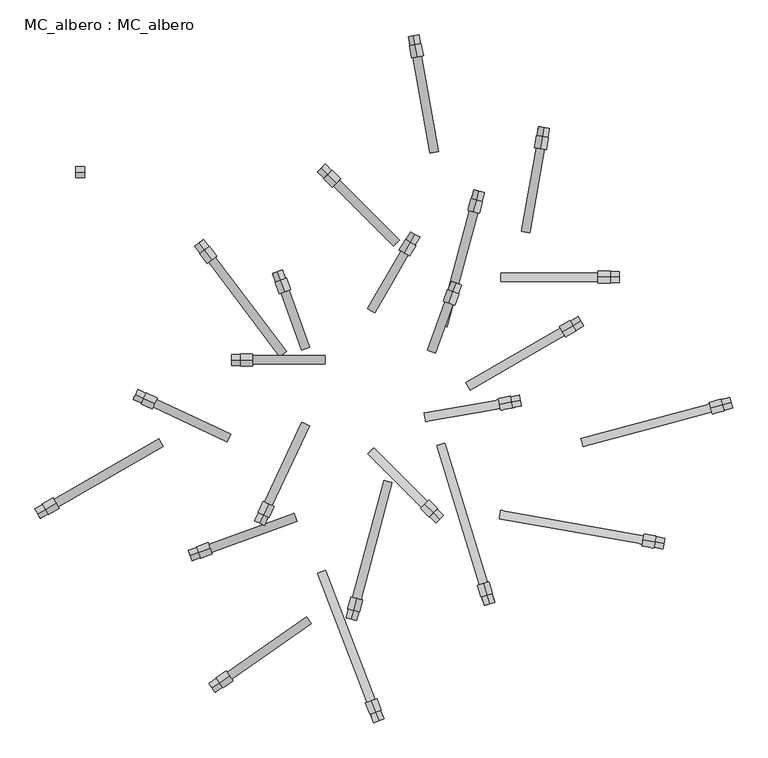
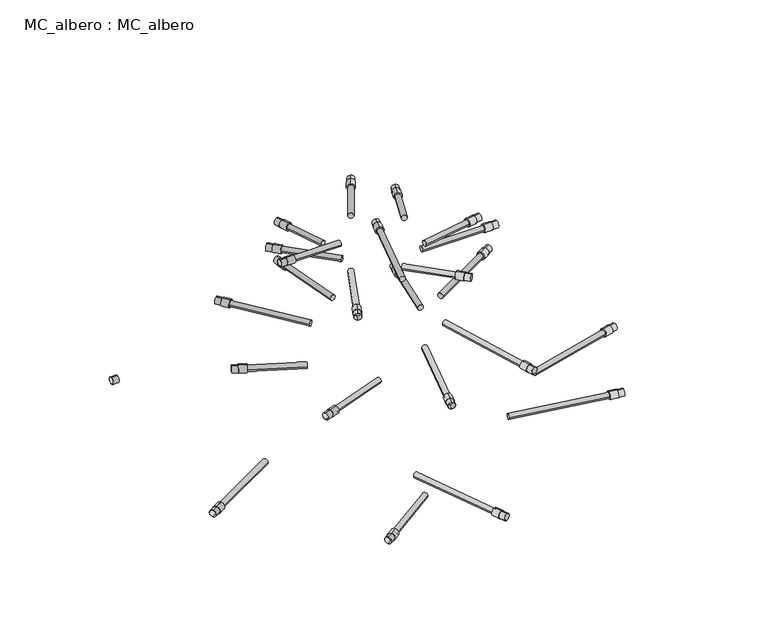
"""IFC4 building model written with IfcOpenShell, lengths in millimetres: proxy geometry, MC_albero : MC_albero."""

from ifc_helpers import new_model, si_unit, point, frame, frame_2d, origin, place, context, project, spatial, circle_curve, trimmed, segment, composite_curve, outline, extrude, source, transform, mapped, element, save


def mc_albero_mc_albero_268b0f34(model_context):
    return source(origin(), model_context, "Body", "SweptSolid", [
        extrude(outline(composite_curve([segment(trimmed(circle_curve(frame_2d((0.0, -9.0)), 9.0), [point((0.0, -18.0))], [point((0.0, 0.0))], False, "CARTESIAN"), True, "CONTINUOUS"), segment(trimmed(circle_curve(frame_2d((0.0, -9.0)), 9.0), [point((0.0, 0.0))], [point((0.0, -18.0))], False, "CARTESIAN"), True, "CONTINUOUS")], self_intersect=False), holes=[composite_curve([segment(trimmed(circle_curve(frame_2d((0.0, -9.0)), 8.5), [point((0.0, -17.5))], [point((0.0, -0.5))], True, "CARTESIAN"), True, "CONTINUOUS"), segment(trimmed(circle_curve(frame_2d((0.0, -9.0)), 8.5), [point((0.0, -0.5))], [point((0.0, -17.5))], True, "CARTESIAN"), True, "CONTINUOUS")], self_intersect=False)]), frame((113.0256139, -219.4223374, 1020.4441846), z_axis=(-0.7071067811865458, 0.7071067811865492, 0.0), x_axis=(0.7071067811865492, 0.7071067811865458, 0.0)), (0.0, 0.0, 1.0), 15.0),
        extrude(outline(composite_curve([segment(trimmed(circle_curve(frame_2d((0.0, -10.0)), 10.0), [point((0.0, -20.0))], [point((0.0, 0.0))], False, "CARTESIAN"), True, "CONTINUOUS"), segment(trimmed(circle_curve(frame_2d((0.0, -10.0)), 10.0), [point((0.0, 0.0))], [point((0.0, -20.0))], False, "CARTESIAN"), True, "CONTINUOUS")], self_intersect=False)), frame((102.4190122, -208.8157356, 1019.4441846), z_axis=(-0.7071067811865458, 0.7071067811865492, 0.0), x_axis=(0.7071067811865492, 0.7071067811865458, 0.0)), (0.0, 0.0, 1.0), 20.0),
        extrude(outline(composite_curve([segment(trimmed(circle_curve(frame_2d((0.0, -7.0)), 7.0), [point((0.0, -14.0))], [point((0.0, 0.0))], False, "CARTESIAN"), True, "CONTINUOUS"), segment(trimmed(circle_curve(frame_2d((0.0, -7.0)), 7.0), [point((0.0, 0.0))], [point((0.0, -14.0))], False, "CARTESIAN"), True, "CONTINUOUS")], self_intersect=False)), frame((93.226624, -189.7238525, 1029.4441846), z_axis=(-0.7071067811865458, 0.7071067811865492, 0.0), x_axis=(0.0, 0.0, 1.0)), (0.0, 0.0, 1.0), 125.0),
        extrude(outline(composite_curve([segment(trimmed(circle_curve(frame_2d((43.7147476, 1029.4441846)), 9.0), [point((43.7147476, 1038.4441846))], [point((43.7147476, 1020.4441846))], False, "CARTESIAN"), True, "CONTINUOUS"), segment(trimmed(circle_curve(frame_2d((43.7147476, 1029.4441846)), 9.0), [point((43.7147476, 1020.4441846))], [point((43.7147476, 1038.4441846))], False, "CARTESIAN"), True, "CONTINUOUS")], self_intersect=False), holes=[composite_curve([segment(trimmed(circle_curve(frame_2d((43.7147476, 1029.4441846)), 8.5), [point((43.7147476, 1037.9441846))], [point((43.7147476, 1020.9441846))], True, "CARTESIAN"), True, "CONTINUOUS"), segment(trimmed(circle_curve(frame_2d((43.7147476, 1029.4441846)), 8.5), [point((43.7147476, 1020.9441846))], [point((43.7147476, 1037.9441846))], True, "CARTESIAN"), True, "CONTINUOUS")], self_intersect=False)]), frame((-230.8886939, 0.0, 0.0), z_axis=(1.0, 0.0, 0.0), x_axis=(0.0, 1.0, 0.0)), (0.0, 0.0, 1.0), 15.0),
        extrude(outline(composite_curve([segment(trimmed(circle_curve(frame_2d((43.7147476, 1029.4441846)), 10.0), [point((43.7147476, 1039.4441846))], [point((43.7147476, 1019.4441846))], False, "CARTESIAN"), True, "CONTINUOUS"), segment(trimmed(circle_curve(frame_2d((43.7147476, 1029.4441846)), 10.0), [point((43.7147476, 1019.4441846))], [point((43.7147476, 1039.4441846))], False, "CARTESIAN"), True, "CONTINUOUS")], self_intersect=False)), frame((-215.8886939, 0.0, 0.0), z_axis=(1.0, 0.0, 0.0), x_axis=(0.0, 1.0, 0.0)), (0.0, 0.0, 1.0), 20.0),
        extrude(outline(composite_curve([segment(trimmed(circle_curve(frame_2d((43.7147476, 1029.4441846)), 7.0), [point((50.7147476, 1029.4441846))], [point((36.7147476, 1029.4441846))], False, "CARTESIAN"), True, "CONTINUOUS"), segment(trimmed(circle_curve(frame_2d((43.7147476, 1029.4441846)), 7.0), [point((36.7147476, 1029.4441846))], [point((50.7147476, 1029.4441846))], False, "CARTESIAN"), True, "CONTINUOUS")], self_intersect=False)), frame((-195.8886939, 0.0, 0.0), z_axis=(1.0, 0.0, 0.0), x_axis=(0.0, 1.0, 0.0)), (0.0, 0.0, 1.0), 120.0),
        extrude(outline(composite_curve([segment(trimmed(circle_curve(frame_2d((0.0, -9.0)), 9.0), [point((0.0, -18.0))], [point((0.0, 0.0))], False, "CARTESIAN"), True, "CONTINUOUS"), segment(trimmed(circle_curve(frame_2d((0.0, -9.0)), 9.0), [point((0.0, 0.0))], [point((0.0, -18.0))], False, "CARTESIAN"), True, "CONTINUOUS")], self_intersect=False), holes=[composite_curve([segment(trimmed(circle_curve(frame_2d((0.0, -9.0)), 8.5), [point((0.0, -17.5))], [point((0.0, -0.5))], True, "CARTESIAN"), True, "CONTINUOUS"), segment(trimmed(circle_curve(frame_2d((0.0, -9.0)), 8.5), [point((0.0, -0.5))], [point((0.0, -17.5))], True, "CARTESIAN"), True, "CONTINUOUS")], self_intersect=False)]), frame((135.3935654, 156.1324728, 1020.4441846), z_axis=(0.34202014332566955, 0.9396926207859081, 0.0), x_axis=(0.9396926207859081, -0.34202014332566955, 0.0)), (0.0, 0.0, 1.0), 15.0),
        extrude(outline(composite_curve([segment(trimmed(circle_curve(frame_2d((0.0, -10.0)), 10.0), [point((0.0, -20.0))], [point((0.0, 0.0))], False, "CARTESIAN"), True, "CONTINUOUS"), segment(trimmed(circle_curve(frame_2d((0.0, -10.0)), 10.0), [point((0.0, 0.0))], [point((0.0, -20.0))], False, "CARTESIAN"), True, "CONTINUOUS")], self_intersect=False)), frame((128.5531625, 137.3386204, 1019.4441846), z_axis=(0.34202014332566955, 0.9396926207859081, 0.0), x_axis=(0.9396926207859081, -0.34202014332566955, 0.0)), (0.0, 0.0, 1.0), 20.0),
        extrude(outline(composite_curve([segment(trimmed(circle_curve(frame_2d((0.0, -7.0)), 7.0), [point((0.0, -14.0))], [point((0.0, 0.0))], False, "CARTESIAN"), True, "CONTINUOUS"), segment(trimmed(circle_curve(frame_2d((0.0, -7.0)), 7.0), [point((0.0, 0.0))], [point((0.0, -14.0))], False, "CARTESIAN"), True, "CONTINUOUS")], self_intersect=False)), frame((92.903602, 59.8588886, 1029.4441846), z_axis=(0.34202014332566955, 0.9396926207859081, 0.0), x_axis=(0.0, 0.0, -1.0)), (0.0, 0.0, 1.0), 85.0),
        extrude(outline(composite_curve([segment(trimmed(circle_curve(frame_2d((0.0, -9.0)), 9.0), [point((0.0, -18.0))], [point((0.0, 0.0))], False, "CARTESIAN"), True, "CONTINUOUS"), segment(trimmed(circle_curve(frame_2d((0.0, -9.0)), 9.0), [point((0.0, 0.0))], [point((0.0, -18.0))], False, "CARTESIAN"), True, "CONTINUOUS")], self_intersect=False), holes=[composite_curve([segment(trimmed(circle_curve(frame_2d((0.0, -9.0)), 8.5), [point((0.0, -17.5))], [point((0.0, -0.5))], True, "CARTESIAN"), True, "CONTINUOUS"), segment(trimmed(circle_curve(frame_2d((0.0, -9.0)), 8.5), [point((0.0, -0.5))], [point((0.0, -17.5))], True, "CARTESIAN"), True, "CONTINUOUS")], self_intersect=False)]), frame((-149.4070638, 175.2278621, 1020.4441846), z_axis=(-0.342020143325667, 0.939692620785909, 0.0), x_axis=(0.939692620785909, 0.342020143325667, 0.0)), (0.0, 0.0, 1.0), 15.0),
        extrude(outline(composite_curve([segment(trimmed(circle_curve(frame_2d((0.0, -10.0)), 10.0), [point((0.0, -20.0))], [point((0.0, 0.0))], False, "CARTESIAN"), True, "CONTINUOUS"), segment(trimmed(circle_curve(frame_2d((0.0, -10.0)), 10.0), [point((0.0, 0.0))], [point((0.0, -20.0))], False, "CARTESIAN"), True, "CONTINUOUS")], self_intersect=False)), frame((-142.5666609, 156.4340097, 1019.4441846), z_axis=(-0.342020143325667, 0.939692620785909, 0.0), x_axis=(0.939692620785909, 0.342020143325667, 0.0)), (0.0, 0.0, 1.0), 20.0),
        extrude(outline(composite_curve([segment(trimmed(circle_curve(frame_2d((0.0, -7.0)), 7.0), [point((0.0, -14.0))], [point((0.0, 0.0))], False, "CARTESIAN"), True, "CONTINUOUS"), segment(trimmed(circle_curve(frame_2d((0.0, -7.0)), 7.0), [point((0.0, 0.0))], [point((0.0, -14.0))], False, "CARTESIAN"), True, "CONTINUOUS")], self_intersect=False)), frame((-114.9424949, 60.0706066, 1029.4441846), z_axis=(-0.342020143325667, 0.939692620785909, 0.0), x_axis=(0.0, 0.0, -1.0)), (0.0, 0.0, 1.0), 100.0),
        extrude(outline(composite_curve([segment(trimmed(circle_curve(frame_2d((0.0, -9.0)), 9.0), [point((0.0, -18.0))], [point((0.0, 0.0))], False, "CARTESIAN"), True, "CONTINUOUS"), segment(trimmed(circle_curve(frame_2d((0.0, -9.0)), 9.0), [point((0.0, 0.0))], [point((0.0, -18.0))], False, "CARTESIAN"), True, "CONTINUOUS")], self_intersect=False), holes=[composite_curve([segment(trimmed(circle_curve(frame_2d((0.0, -9.0)), 8.5), [point((0.0, -17.5))], [point((0.0, -0.5))], True, "CARTESIAN"), True, "CONTINUOUS"), segment(trimmed(circle_curve(frame_2d((0.0, -9.0)), 8.5), [point((0.0, -0.5))], [point((0.0, -17.5))], True, "CARTESIAN"), True, "CONTINUOUS")], self_intersect=False)]), frame((231.453257, -26.1062666, 1020.4441846), z_axis=(0.9848077530122081, 0.17364817766693016, 0.0), x_axis=(0.17364817766693016, -0.9848077530122081, 0.0)), (0.0, 0.0, 1.0), 15.0),
        extrude(outline(composite_curve([segment(trimmed(circle_curve(frame_2d((0.0, -10.0)), 10.0), [point((0.0, -20.0))], [point((0.0, 0.0))], False, "CARTESIAN"), True, "CONTINUOUS"), segment(trimmed(circle_curve(frame_2d((0.0, -10.0)), 10.0), [point((0.0, 0.0))], [point((0.0, -20.0))], False, "CARTESIAN"), True, "CONTINUOUS")], self_intersect=False)), frame((211.7571019, -29.5792302, 1019.4441846), z_axis=(0.9848077530122081, 0.17364817766693016, 0.0), x_axis=(0.17364817766693016, -0.9848077530122081, 0.0)), (0.0, 0.0, 1.0), 20.0),
        extrude(outline(composite_curve([segment(trimmed(circle_curve(frame_2d((0.0, -7.0)), 7.0), [point((0.0, -14.0))], [point((0.0, 0.0))], False, "CARTESIAN"), True, "CONTINUOUS"), segment(trimmed(circle_curve(frame_2d((0.0, -7.0)), 7.0), [point((0.0, 0.0))], [point((0.0, -14.0))], False, "CARTESIAN"), True, "CONTINUOUS")], self_intersect=False)), frame((87.4405955, -44.3915981, 1029.4441846), z_axis=(0.9848077530122081, 0.17364817766693016, 0.0), x_axis=(0.0, 0.0, -1.0)), (0.0, 0.0, 1.0), 125.0),
        extrude(outline(composite_curve([segment(trimmed(circle_curve(frame_2d((0.0, -9.0)), 9.0), [point((0.0, -18.0))], [point((0.0, 0.0))], False, "CARTESIAN"), True, "CONTINUOUS"), segment(trimmed(circle_curve(frame_2d((0.0, -9.0)), 9.0), [point((0.0, 0.0))], [point((0.0, -18.0))], False, "CARTESIAN"), True, "CONTINUOUS")], self_intersect=False), holes=[composite_curve([segment(trimmed(circle_curve(frame_2d((0.0, -9.0)), 8.5), [point((0.0, -17.5))], [point((0.0, -0.5))], True, "CARTESIAN"), True, "CONTINUOUS"), segment(trimmed(circle_curve(frame_2d((0.0, -9.0)), 8.5), [point((0.0, -0.5))], [point((0.0, -17.5))], True, "CARTESIAN"), True, "CONTINUOUS")], self_intersect=False)]), frame((-184.4359337, -225.670654, 1020.4441846), z_axis=(0.42261826174070066, 0.9063077870366494, 0.0), x_axis=(0.9063077870366494, -0.42261826174070066, 0.0)), (0.0, 0.0, 1.0), 15.0),
        extrude(outline(composite_curve([segment(trimmed(circle_curve(frame_2d((0.0, -10.0)), 10.0), [point((0.0, -20.0))], [point((0.0, 0.0))], False, "CARTESIAN"), True, "CONTINUOUS"), segment(trimmed(circle_curve(frame_2d((0.0, -10.0)), 10.0), [point((0.0, 0.0))], [point((0.0, -20.0))], False, "CARTESIAN"), True, "CONTINUOUS")], self_intersect=False)), frame((-178.0966598, -212.0760372, 1019.4441846), z_axis=(0.42261826174070066, 0.9063077870366494, 0.0), x_axis=(0.9063077870366494, -0.42261826174070066, 0.0)), (0.0, 0.0, 1.0), 20.0),
        extrude(outline(composite_curve([segment(trimmed(circle_curve(frame_2d((0.0, -7.0)), 7.0), [point((0.0, -14.0))], [point((0.0, 0.0))], False, "CARTESIAN"), True, "CONTINUOUS"), segment(trimmed(circle_curve(frame_2d((0.0, -7.0)), 7.0), [point((0.0, 0.0))], [point((0.0, -14.0))], False, "CARTESIAN"), True, "CONTINUOUS")], self_intersect=False)), frame((-163.30014, -196.9082093, 1029.4441846), z_axis=(0.42261826174070066, 0.9063077870366494, 0.0), x_axis=(0.0, 0.0, 1.0)), (0.0, 0.0, 1.0), 145.0),
        extrude(outline(composite_curve([segment(trimmed(circle_curve(frame_2d((0.0, -9.0)), 9.0), [point((0.0, -18.0))], [point((0.0, 0.0))], False, "CARTESIAN"), True, "CONTINUOUS"), segment(trimmed(circle_curve(frame_2d((0.0, -9.0)), 9.0), [point((0.0, 0.0))], [point((0.0, -18.0))], False, "CARTESIAN"), True, "CONTINUOUS")], self_intersect=False), holes=[composite_curve([segment(trimmed(circle_curve(frame_2d((0.0, -9.0)), 8.5), [point((0.0, -17.5))], [point((0.0, -0.5))], True, "CARTESIAN"), True, "CONTINUOUS"), segment(trimmed(circle_curve(frame_2d((0.0, -9.0)), 8.5), [point((0.0, -0.5))], [point((0.0, -17.5))], True, "CARTESIAN"), True, "CONTINUOUS")], self_intersect=False)]), frame((64.8885289, 237.5480501, 1020.4441846), z_axis=(0.50000000000001, 0.8660254037844329, 0.0), x_axis=(0.8660254037844329, -0.50000000000001, 0.0)), (0.0, 0.0, 1.0), 15.0),
        extrude(outline(composite_curve([segment(trimmed(circle_curve(frame_2d((0.0, -10.0)), 10.0), [point((0.0, -20.0))], [point((0.0, 0.0))], False, "CARTESIAN"), True, "CONTINUOUS"), segment(trimmed(circle_curve(frame_2d((0.0, -10.0)), 10.0), [point((0.0, 0.0))], [point((0.0, -20.0))], False, "CARTESIAN"), True, "CONTINUOUS")], self_intersect=False)), frame((54.8885289, 220.227542, 1019.4441846), z_axis=(0.50000000000001, 0.8660254037844329, 0.0), x_axis=(0.8660254037844329, -0.50000000000001, 0.0)), (0.0, 0.0, 1.0), 20.0),
        extrude(outline(composite_curve([segment(trimmed(circle_curve(frame_2d((0.0, -7.0)), 7.0), [point((0.0, -14.0))], [point((0.0, 0.0))], False, "CARTESIAN"), True, "CONTINUOUS"), segment(trimmed(circle_curve(frame_2d((0.0, -7.0)), 7.0), [point((0.0, 0.0))], [point((0.0, -14.0))], False, "CARTESIAN"), True, "CONTINUOUS")], self_intersect=False)), frame((-6.1736489, 128.4647476, 1029.4441846), z_axis=(0.50000000000001, 0.8660254037844329, 0.0), x_axis=(0.0, 0.0, -1.0)), (0.0, 0.0, 1.0), 110.0),
        extrude(outline(composite_curve([segment(trimmed(circle_curve(frame_2d((0.0, -9.0)), 9.0), [point((0.0, -18.0))], [point((0.0, 0.0))], False, "CARTESIAN"), True, "CONTINUOUS"), segment(trimmed(circle_curve(frame_2d((0.0, -9.0)), 9.0), [point((0.0, 0.0))], [point((0.0, -18.0))], False, "CARTESIAN"), True, "CONTINUOUS")], self_intersect=False), holes=[composite_curve([segment(trimmed(circle_curve(frame_2d((0.0, -9.0)), 8.5), [point((0.0, -17.5))], [point((0.0, -0.5))], True, "CARTESIAN"), True, "CONTINUOUS"), segment(trimmed(circle_curve(frame_2d((0.0, -9.0)), 8.5), [point((0.0, -0.5))], [point((0.0, -17.5))], True, "CARTESIAN"), True, "CONTINUOUS")], self_intersect=False)]), frame((333.2050808, 100.0, 820.4441846), z_axis=(0.866025403784439, 0.49999999999999944, 0.0), x_axis=(0.49999999999999944, -0.866025403784439, 0.0)), (0.0, 0.0, 1.0), 15.0),
        extrude(outline(composite_curve([segment(trimmed(circle_curve(frame_2d((0.0, -10.0)), 10.0), [point((0.0, -20.0))], [point((0.0, 0.0))], False, "CARTESIAN"), True, "CONTINUOUS"), segment(trimmed(circle_curve(frame_2d((0.0, -10.0)), 10.0), [point((0.0, 0.0))], [point((0.0, -20.0))], False, "CARTESIAN"), True, "CONTINUOUS")], self_intersect=False)), frame((315.8845727, 90.0, 819.4441846), z_axis=(0.866025403784439, 0.49999999999999944, 0.0), x_axis=(0.49999999999999944, -0.866025403784439, 0.0)), (0.0, 0.0, 1.0), 20.0),
        extrude(outline(composite_curve([segment(trimmed(circle_curve(frame_2d((0.0, -7.0)), 7.0), [point((0.0, -14.0))], [point((0.0, 0.0))], False, "CARTESIAN"), True, "CONTINUOUS"), segment(trimmed(circle_curve(frame_2d((0.0, -7.0)), 7.0), [point((0.0, 0.0))], [point((0.0, -14.0))], False, "CARTESIAN"), True, "CONTINUOUS")], self_intersect=False)), frame((156.5, 6.0621778, 829.4441846), z_axis=(0.866025403784439, 0.49999999999999944, 0.0), x_axis=(0.0, 0.0, -1.0)), (0.0, 0.0, 1.0), 180.0),
        extrude(outline(composite_curve([segment(trimmed(circle_curve(frame_2d((0.0, -9.0)), 9.0), [point((0.0, -18.0))], [point((0.0, 0.0))], False, "CARTESIAN"), True, "CONTINUOUS"), segment(trimmed(circle_curve(frame_2d((0.0, -9.0)), 9.0), [point((0.0, 0.0))], [point((0.0, -18.0))], False, "CARTESIAN"), True, "CONTINUOUS")], self_intersect=False), holes=[composite_curve([segment(trimmed(circle_curve(frame_2d((0.0, -9.0)), 8.5), [point((0.0, -17.5))], [point((0.0, -0.5))], True, "CARTESIAN"), True, "CONTINUOUS"), segment(trimmed(circle_curve(frame_2d((0.0, -9.0)), 8.5), [point((0.0, -0.5))], [point((0.0, -17.5))], True, "CARTESIAN"), True, "CONTINUOUS")], self_intersect=False)]), frame((-71.4615223, 349.8468168, 820.4441846), z_axis=(-0.7071067811865459, 0.7071067811865492, 0.0), x_axis=(0.7071067811865492, 0.7071067811865459, 0.0)), (0.0, 0.0, 1.0), 15.0),
        extrude(outline(composite_curve([segment(trimmed(circle_curve(frame_2d((0.0, -10.0)), 10.0), [point((0.0, -20.0))], [point((0.0, 0.0))], False, "CARTESIAN"), True, "CONTINUOUS"), segment(trimmed(circle_curve(frame_2d((0.0, -10.0)), 10.0), [point((0.0, 0.0))], [point((0.0, -20.0))], False, "CARTESIAN"), True, "CONTINUOUS")], self_intersect=False)), frame((-57.3193867, 335.7046811, 819.4441846), z_axis=(-0.7071067811865459, 0.7071067811865492, 0.0), x_axis=(0.7071067811865492, 0.7071067811865459, 0.0)), (0.0, 0.0, 1.0), 20.0),
        extrude(outline(composite_curve([segment(trimmed(circle_curve(frame_2d((0.0, -7.0)), 7.0), [point((0.0, -13.9999999))], [point((0.0, 0.0))], False, "CARTESIAN"), True, "CONTINUOUS"), segment(trimmed(circle_curve(frame_2d((0.0, -7.0)), 7.0), [point((0.0, 0.0))], [point((0.0, -13.9999999))], False, "CARTESIAN"), True, "CONTINUOUS")], self_intersect=False)), frame((36.7258152, 231.7599843, 829.4441846), z_axis=(-0.7071067811865459, 0.7071067811865492, 0.0), x_axis=(0.0, 0.0, -1.0)), (0.0, 0.0, 1.0), 140.0),
        extrude(outline(composite_curve([segment(trimmed(circle_curve(frame_2d((0.0, -9.0)), 9.0), [point((0.0, -18.0))], [point((0.0, 0.0))], False, "CARTESIAN"), True, "CONTINUOUS"), segment(trimmed(circle_curve(frame_2d((0.0, -9.0)), 9.0), [point((0.0, 0.0))], [point((0.0, -18.0))], False, "CARTESIAN"), True, "CONTINUOUS")], self_intersect=False), holes=[composite_curve([segment(trimmed(circle_curve(frame_2d((0.0, -9.0)), 8.5), [point((0.0, -17.5))], [point((0.0, -0.5))], True, "CARTESIAN"), True, "CONTINUOUS"), segment(trimmed(circle_curve(frame_2d((0.0, -9.0)), 8.5), [point((0.0, -0.5))], [point((0.0, -17.5))], True, "CARTESIAN"), True, "CONTINUOUS")], self_intersect=False)]), frame((-33.0387672, -384.2059386, 820.4441846), z_axis=(0.2588190451025221, 0.965925826289068, 0.0), x_axis=(0.965925826289068, -0.2588190451025221, 0.0)), (0.0, 0.0, 1.0), 15.0),
        extrude(outline(composite_curve([segment(trimmed(circle_curve(frame_2d((0.0, -10.0)), 10.0), [point((0.0, -20.0))], [point((0.0, 0.0))], False, "CARTESIAN"), True, "CONTINUOUS"), segment(trimmed(circle_curve(frame_2d((0.0, -10.0)), 10.0), [point((0.0, 0.0))], [point((0.0, -20.0))], False, "CARTESIAN"), True, "CONTINUOUS")], self_intersect=False)), frame((-29.1564815, -369.7170512, 819.4441846), z_axis=(0.2588190451025221, 0.965925826289068, 0.0), x_axis=(0.965925826289068, -0.2588190451025221, 0.0)), (0.0, 0.0, 1.0), 20.0),
        extrude(outline(composite_curve([segment(trimmed(circle_curve(frame_2d((0.0, -7.0)), 7.0), [point((0.0, -14.0))], [point((0.0, 0.0))], False, "CARTESIAN"), True, "CONTINUOUS"), segment(trimmed(circle_curve(frame_2d((0.0, -7.0)), 7.0), [point((0.0, 0.0))], [point((0.0, -14.0))], False, "CARTESIAN"), True, "CONTINUOUS")], self_intersect=False)), frame((-17.2186198, -352.210268, 829.4441846), z_axis=(0.2588190451025221, 0.965925826289068, 0.0), x_axis=(0.0, 0.0, 1.0)), (0.0, 0.0, 1.0), 200.0),
        extrude(outline(composite_curve([segment(trimmed(circle_curve(frame_2d((180.3364018, 829.4441846)), 9.0), [point((180.3364018, 838.4441846))], [point((180.3364018, 820.4441846))], False, "CARTESIAN"), True, "CONTINUOUS"), segment(trimmed(circle_curve(frame_2d((180.3364018, 829.4441846)), 9.0), [point((180.3364018, 820.4441846))], [point((180.3364018, 838.4441846))], False, "CARTESIAN"), True, "CONTINUOUS")], self_intersect=False), holes=[composite_curve([segment(trimmed(circle_curve(frame_2d((180.3364018, 829.4441846)), 8.5), [point((180.3364018, 837.9441846))], [point((180.3364018, 820.9441846))], True, "CARTESIAN"), True, "CONTINUOUS"), segment(trimmed(circle_curve(frame_2d((180.3364018, 829.4441846)), 8.5), [point((180.3364018, 820.9441846))], [point((180.3364018, 837.9441846))], True, "CARTESIAN"), True, "CONTINUOUS")], self_intersect=False)]), frame((394.4924441, 0.0, 0.0), z_axis=(1.0, 0.0, 0.0), x_axis=(0.0, 1.0, 0.0)), (0.0, 0.0, 1.0), 15.0),
        extrude(outline(composite_curve([segment(trimmed(circle_curve(frame_2d((180.3364018, 829.4441846)), 10.0), [point((180.3364018, 839.4441846))], [point((180.3364018, 819.4441846))], False, "CARTESIAN"), True, "CONTINUOUS"), segment(trimmed(circle_curve(frame_2d((180.3364018, 829.4441846)), 10.0), [point((180.3364018, 819.4441846))], [point((180.3364018, 839.4441846))], False, "CARTESIAN"), True, "CONTINUOUS")], self_intersect=False)), frame((374.4924441, 0.0, 0.0), z_axis=(1.0, 0.0, 0.0), x_axis=(0.0, 1.0, 0.0)), (0.0, 0.0, 1.0), 20.0),
        extrude(outline(composite_curve([segment(trimmed(circle_curve(frame_2d((180.3364018, 829.4441846)), 7.0), [point((173.3364018, 829.4441846))], [point((187.3364018, 829.4441846))], False, "CARTESIAN"), True, "CONTINUOUS"), segment(trimmed(circle_curve(frame_2d((180.3364018, 829.4441846)), 7.0), [point((187.3364018, 829.4441846))], [point((173.3364018, 829.4441846))], False, "CARTESIAN"), True, "CONTINUOUS")], self_intersect=False)), frame((214.4924441, 0.0, 0.0), z_axis=(1.0, 0.0, 0.0), x_axis=(0.0, 1.0, 0.0)), (0.0, 0.0, 1.0), 160.0),
        extrude(outline(composite_curve([segment(trimmed(circle_curve(frame_2d((0.0, -9.0)), 9.0), [point((0.0, -18.0))], [point((0.0, 0.0))], False, "CARTESIAN"), True, "CONTINUOUS"), segment(trimmed(circle_curve(frame_2d((0.0, -9.0)), 9.0), [point((0.0, 0.0))], [point((0.0, -18.0))], False, "CARTESIAN"), True, "CONTINUOUS")], self_intersect=False), holes=[composite_curve([segment(trimmed(circle_curve(frame_2d((0.0, -9.0)), 8.5), [point((0.0, -17.5))], [point((0.0, -0.5))], True, "CARTESIAN"), True, "CONTINUOUS"), segment(trimmed(circle_curve(frame_2d((0.0, -9.0)), 8.5), [point((0.0, -0.5))], [point((0.0, -17.5))], True, "CARTESIAN"), True, "CONTINUOUS")], self_intersect=False)]), frame((-298.8431348, -279.4242064, 820.4441846), z_axis=(0.9396926207859085, 0.3420201433256685, 0.0), x_axis=(0.3420201433256685, -0.9396926207859085, 0.0)), (0.0, 0.0, 1.0), 15.0),
        extrude(outline(composite_curve([segment(trimmed(circle_curve(frame_2d((0.0, -10.0)), 10.0), [point((0.0, -20.0))], [point((0.0, 0.0))], False, "CARTESIAN"), True, "CONTINUOUS"), segment(trimmed(circle_curve(frame_2d((0.0, -10.0)), 10.0), [point((0.0, 0.0))], [point((0.0, -20.0))], False, "CARTESIAN"), True, "CONTINUOUS")], self_intersect=False)), frame((-284.7477455, -274.2939043, 819.4441846), z_axis=(0.9396926207859085, 0.3420201433256685, 0.0), x_axis=(0.3420201433256685, -0.9396926207859085, 0.0)), (0.0, 0.0, 1.0), 20.0),
        extrude(outline(composite_curve([segment(trimmed(circle_curve(frame_2d((0.0, -7.0)), 7.0), [point((0.0, -13.9999999))], [point((0.0, 0.0))], False, "CARTESIAN"), True, "CONTINUOUS"), segment(trimmed(circle_curve(frame_2d((0.0, -7.0)), 7.0), [point((0.0, 0.0))], [point((0.0, -13.9999999))], False, "CARTESIAN"), True, "CONTINUOUS")], self_intersect=False)), frame((-263.5597521, -274.0313497, 829.4441846), z_axis=(0.9396926207859085, 0.3420201433256685, 0.0), x_axis=(0.0, 0.0, 1.0)), (0.0, 0.0, 1.0), 150.0),
        extrude(outline(composite_curve([segment(trimmed(circle_curve(frame_2d((0.0, -9.0)), 9.0), [point((0.0, -18.0))], [point((0.0, 0.0))], False, "CARTESIAN"), True, "CONTINUOUS"), segment(trimmed(circle_curve(frame_2d((0.0, -9.0)), 9.0), [point((0.0, 0.0))], [point((0.0, -18.0))], False, "CARTESIAN"), True, "CONTINUOUS")], self_intersect=False), holes=[composite_curve([segment(trimmed(circle_curve(frame_2d((0.0, -9.0)), 8.5), [point((0.0, -17.5))], [point((0.0, -0.5))], True, "CARTESIAN"), True, "CONTINUOUS"), segment(trimmed(circle_curve(frame_2d((0.0, -9.0)), 8.5), [point((0.0, -0.5))], [point((0.0, -17.5))], True, "CARTESIAN"), True, "CONTINUOUS")], self_intersect=False)]), frame((-275.0425862, 225.0756279, 820.4441846), z_axis=(-0.6018150231520463, 0.7986355100472944, 0.0), x_axis=(0.7986355100472944, 0.6018150231520463, 0.0)), (0.0, 0.0, 1.0), 15.0),
        extrude(outline(composite_curve([segment(trimmed(circle_curve(frame_2d((0.0, -10.0)), 10.0), [point((0.0, -20.0))], [point((0.0, 0.0))], False, "CARTESIAN"), True, "CONTINUOUS"), segment(trimmed(circle_curve(frame_2d((0.0, -10.0)), 10.0), [point((0.0, 0.0))], [point((0.0, -20.0))], False, "CARTESIAN"), True, "CONTINUOUS")], self_intersect=False)), frame((-263.0062857, 209.1029177, 819.4441846), z_axis=(-0.6018150231520463, 0.7986355100472944, 0.0), x_axis=(0.7986355100472944, 0.6018150231520463, 0.0)), (0.0, 0.0, 1.0), 20.0),
        extrude(outline(composite_curve([segment(trimmed(circle_curve(frame_2d((0.0, -7.0)), 7.0), [point((0.0, -14.0))], [point((0.0, 0.0))], False, "CARTESIAN"), True, "CONTINUOUS"), segment(trimmed(circle_curve(frame_2d((0.0, -7.0)), 7.0), [point((0.0, 0.0))], [point((0.0, -14.0))], False, "CARTESIAN"), True, "CONTINUOUS")], self_intersect=False)), frame((-151.2428048, 49.1562881, 829.4441846), z_axis=(-0.6018150231520463, 0.7986355100472944, 0.0), x_axis=(0.0, 0.0, -1.0)), (0.0, 0.0, 1.0), 195.0),
        extrude(outline(composite_curve([segment(trimmed(circle_curve(frame_2d((0.0, -9.0)), 9.0), [point((0.0, -18.0))], [point((0.0, 0.0))], False, "CARTESIAN"), True, "CONTINUOUS"), segment(trimmed(circle_curve(frame_2d((0.0, -9.0)), 9.0), [point((0.0, 0.0))], [point((0.0, -18.0))], False, "CARTESIAN"), True, "CONTINUOUS")], self_intersect=False), holes=[composite_curve([segment(trimmed(circle_curve(frame_2d((0.0, -9.0)), 8.5), [point((0.0, -17.5))], [point((0.0, -0.5))], True, "CARTESIAN"), True, "CONTINUOUS"), segment(trimmed(circle_curve(frame_2d((0.0, -9.0)), 8.5), [point((0.0, -0.5))], [point((0.0, -17.5))], True, "CARTESIAN"), True, "CONTINUOUS")], self_intersect=False)]), frame((-375.4008622, -19.6433342, 820.4441846), z_axis=(-0.9063077870366488, 0.42261826174070194, 0.0), x_axis=(0.42261826174070194, 0.9063077870366488, 0.0)), (0.0, 0.0, 1.0), 15.0),
        extrude(outline(composite_curve([segment(trimmed(circle_curve(frame_2d((0.0, -10.0)), 10.0), [point((0.0, -20.0))], [point((0.0, 0.0))], False, "CARTESIAN"), True, "CONTINUOUS"), segment(trimmed(circle_curve(frame_2d((0.0, -10.0)), 10.0), [point((0.0, 0.0))], [point((0.0, -20.0))], False, "CARTESIAN"), True, "CONTINUOUS")], self_intersect=False)), frame((-357.2747064, -28.0956995, 819.4441846), z_axis=(-0.9063077870366488, 0.42261826174070194, 0.0), x_axis=(0.42261826174070194, 0.9063077870366488, 0.0)), (0.0, 0.0, 1.0), 20.0),
        extrude(outline(composite_curve([segment(trimmed(circle_curve(frame_2d((0.0, -7.0)), 7.0), [point((0.0, -14.0))], [point((0.0, 0.0))], False, "CARTESIAN"), True, "CONTINUOUS"), segment(trimmed(circle_curve(frame_2d((0.0, -7.0)), 7.0), [point((0.0, 0.0))], [point((0.0, -14.0))], False, "CARTESIAN"), True, "CONTINUOUS")], self_intersect=False)), frame((-237.881483, -91.4933193, 829.4441846), z_axis=(-0.9063077870366488, 0.42261826174070194, 0.0), x_axis=(0.0, 0.0, -1.0)), (0.0, 0.0, 1.0), 135.0),
        extrude(outline(composite_curve([segment(trimmed(circle_curve(frame_2d((0.0, -9.0)), 9.0), [point((0.0, -18.0))], [point((0.0, 0.0))], False, "CARTESIAN"), True, "CONTINUOUS"), segment(trimmed(circle_curve(frame_2d((0.0, -9.0)), 9.0), [point((0.0, 0.0))], [point((0.0, -18.0))], False, "CARTESIAN"), True, "CONTINUOUS")], self_intersect=False), holes=[composite_curve([segment(trimmed(circle_curve(frame_2d((0.0, -9.0)), 8.5), [point((0.0, -17.5))], [point((0.0, -0.5))], True, "CARTESIAN"), True, "CONTINUOUS"), segment(trimmed(circle_curve(frame_2d((0.0, -9.0)), 8.5), [point((0.0, -0.5))], [point((0.0, -17.5))], True, "CARTESIAN"), True, "CONTINUOUS")], self_intersect=False)]), frame((195.3088853, -359.0460783, 820.4441846), z_axis=(-0.29237170472273505, 0.956304755963036, 0.0), x_axis=(0.956304755963036, 0.29237170472273505, 0.0)), (0.0, 0.0, 1.0), 15.0),
        extrude(outline(composite_curve([segment(trimmed(circle_curve(frame_2d((0.0, -10.0)), 10.0), [point((0.0, -20.0))], [point((0.0, 0.0))], False, "CARTESIAN"), True, "CONTINUOUS"), segment(trimmed(circle_curve(frame_2d((0.0, -10.0)), 10.0), [point((0.0, 0.0))], [point((0.0, -20.0))], False, "CARTESIAN"), True, "CONTINUOUS")], self_intersect=False)), frame((190.9233097, -344.701507, 819.4441846), z_axis=(-0.29237170472273505, 0.956304755963036, 0.0), x_axis=(0.956304755963036, 0.29237170472273505, 0.0)), (0.0, 0.0, 1.0), 20.0),
        extrude(outline(composite_curve([segment(trimmed(circle_curve(frame_2d((0.0, -7.0)), 7.0), [point((0.0, -14.0))], [point((0.0, 0.0))], False, "CARTESIAN"), True, "CONTINUOUS"), segment(trimmed(circle_curve(frame_2d((0.0, -7.0)), 7.0), [point((0.0, 0.0))], [point((0.0, -14.0))], False, "CARTESIAN"), True, "CONTINUOUS")], self_intersect=False)), frame((191.7700089, -323.5288099, 829.4441846), z_axis=(-0.29237170472273505, 0.956304755963036, 0.0), x_axis=(0.0, 0.0, 1.0)), (0.0, 0.0, 1.0), 240.0),
        extrude(outline(composite_curve([segment(trimmed(circle_curve(frame_2d((0.0, -9.0)), 9.0), [point((0.0, -18.0))], [point((0.0, 0.0))], False, "CARTESIAN"), True, "CONTINUOUS"), segment(trimmed(circle_curve(frame_2d((0.0, -9.0)), 9.0), [point((0.0, 0.0))], [point((0.0, -18.0))], False, "CARTESIAN"), True, "CONTINUOUS")], self_intersect=False), holes=[composite_curve([segment(trimmed(circle_curve(frame_2d((0.0, -9.0)), 8.5), [point((0.0, -17.5))], [point((0.0, -0.5))], True, "CARTESIAN"), True, "CONTINUOUS"), segment(trimmed(circle_curve(frame_2d((0.0, -9.0)), 8.5), [point((0.0, -0.5))], [point((0.0, -17.5))], True, "CARTESIAN"), True, "CONTINUOUS")], self_intersect=False)]), frame((174.3829834, 307.6620032, 820.4441846), z_axis=(0.2588190451025218, 0.9659258262890681, 0.0), x_axis=(0.9659258262890681, -0.2588190451025218, 0.0)), (0.0, 0.0, 1.0), 15.0),
        extrude(outline(composite_curve([segment(trimmed(circle_curve(frame_2d((0.0, -10.0)), 10.0), [point((0.0, -20.0))], [point((0.0, 0.0))], False, "CARTESIAN"), True, "CONTINUOUS"), segment(trimmed(circle_curve(frame_2d((0.0, -10.0)), 10.0), [point((0.0, 0.0))], [point((0.0, -20.0))], False, "CARTESIAN"), True, "CONTINUOUS")], self_intersect=False)), frame((169.2066025, 288.3434867, 819.4441846), z_axis=(0.2588190451025218, 0.9659258262890681, 0.0), x_axis=(0.9659258262890681, -0.2588190451025218, 0.0)), (0.0, 0.0, 1.0), 20.0),
        extrude(outline(composite_curve([segment(trimmed(circle_curve(frame_2d((0.0, -7.0)), 7.0), [point((0.0, -14.0))], [point((0.0, 0.0))], False, "CARTESIAN"), True, "CONTINUOUS"), segment(trimmed(circle_curve(frame_2d((0.0, -7.0)), 7.0), [point((0.0, 0.0))], [point((0.0, -14.0))], False, "CARTESIAN"), True, "CONTINUOUS")], self_intersect=False)), frame((111.9754079, 101.7996839, 829.4441846), z_axis=(0.2588190451025218, 0.9659258262890681, 0.0), x_axis=(0.0, 0.0, -1.0)), (0.0, 0.0, 1.0), 195.0),
        extrude(outline(composite_curve([segment(trimmed(circle_curve(frame_2d((0.0, -9.0)), 9.0), [point((0.0, -18.0))], [point((0.0, 0.0))], False, "CARTESIAN"), True, "CONTINUOUS"), segment(trimmed(circle_curve(frame_2d((0.0, -9.0)), 9.0), [point((0.0, 0.0))], [point((0.0, -18.0))], False, "CARTESIAN"), True, "CONTINUOUS")], self_intersect=False), holes=[composite_curve([segment(trimmed(circle_curve(frame_2d((0.0, -9.0)), 8.5), [point((0.0, -17.5))], [point((0.0, -0.5))], True, "CARTESIAN"), True, "CONTINUOUS"), segment(trimmed(circle_curve(frame_2d((0.0, -9.0)), 8.5), [point((0.0, -0.5))], [point((0.0, -17.5))], True, "CARTESIAN"), True, "CONTINUOUS")], self_intersect=False)]), frame((-550.8370834, -210.3018081, 600.4441846), z_axis=(0.8660254037844389, 0.49999999999999956, 0.0), x_axis=(0.49999999999999956, -0.8660254037844389, 0.0)), (0.0, 0.0, 1.0), 15.0),
        extrude(outline(composite_curve([segment(trimmed(circle_curve(frame_2d((0.0, -10.0)), 10.0), [point((0.0, -20.0))], [point((0.0, 0.0))], False, "CARTESIAN"), True, "CONTINUOUS"), segment(trimmed(circle_curve(frame_2d((0.0, -10.0)), 10.0), [point((0.0, 0.0))], [point((0.0, -20.0))], False, "CARTESIAN"), True, "CONTINUOUS")], self_intersect=False)), frame((-537.8467024, -202.8018081, 599.4441846), z_axis=(0.8660254037844389, 0.49999999999999956, 0.0), x_axis=(0.49999999999999956, -0.8660254037844389, 0.0)), (0.0, 0.0, 1.0), 20.0),
        extrude(outline(composite_curve([segment(trimmed(circle_curve(frame_2d((0.0, -7.0000001)), 7.0), [point((0.0, -14.0))], [point((0.0, 0.0))], False, "CARTESIAN"), True, "CONTINUOUS"), segment(trimmed(circle_curve(frame_2d((0.0, -7.0000001)), 7.0), [point((0.0, 0.0))], [point((0.0, -14.0))], False, "CARTESIAN"), True, "CONTINUOUS")], self_intersect=False)), frame((-517.0261943, -198.863986, 609.4441846), z_axis=(0.8660254037844389, 0.49999999999999956, 0.0), x_axis=(0.0, 0.0, 1.0)), (0.0, 0.0, 1.0), 200.0),
        extrude(outline(composite_curve([segment(trimmed(circle_curve(frame_2d((0.0, -9.0)), 9.0), [point((0.0, -18.0))], [point((0.0, 0.0))], False, "CARTESIAN"), True, "CONTINUOUS"), segment(trimmed(circle_curve(frame_2d((0.0, -9.0)), 9.0), [point((0.0, 0.0))], [point((0.0, -18.0))], False, "CARTESIAN"), True, "CONTINUOUS")], self_intersect=False), holes=[composite_curve([segment(trimmed(circle_curve(frame_2d((0.0, -9.0)), 8.5), [point((0.0, -17.5))], [point((0.0, -0.5))], True, "CARTESIAN"), True, "CONTINUOUS"), segment(trimmed(circle_curve(frame_2d((0.0, -9.0)), 8.5), [point((0.0, -0.5))], [point((0.0, -17.5))], True, "CARTESIAN"), True, "CONTINUOUS")], self_intersect=False)]), frame((12.5428782, -551.9832567, 600.4441846), z_axis=(-0.3583679495452985, 0.9335804264972024, 0.0), x_axis=(0.9335804264972024, 0.3583679495452985, 0.0)), (0.0, 0.0, 1.0), 15.0),
        extrude(outline(composite_curve([segment(trimmed(circle_curve(frame_2d((0.0, -10.0)), 10.0), [point((0.0, -20.0))], [point((0.0, 0.0))], False, "CARTESIAN"), True, "CONTINUOUS"), segment(trimmed(circle_curve(frame_2d((0.0, -10.0)), 10.0), [point((0.0, 0.0))], [point((0.0, -20.0))], False, "CARTESIAN"), True, "CONTINUOUS")], self_intersect=False)), frame((7.167359, -537.9795503, 599.4441846), z_axis=(-0.3583679495452985, 0.9335804264972024, 0.0), x_axis=(0.9335804264972024, 0.3583679495452985, 0.0)), (0.0, 0.0, 1.0), 20.0),
        extrude(outline(composite_curve([segment(trimmed(circle_curve(frame_2d((0.0, -7.0)), 7.0), [point((0.0, -14.0))], [point((0.0, 0.0))], False, "CARTESIAN"), True, "CONTINUOUS"), segment(trimmed(circle_curve(frame_2d((0.0, -7.0)), 7.0), [point((0.0, 0.0))], [point((0.0, -14.0))], False, "CARTESIAN"), True, "CONTINUOUS")], self_intersect=False)), frame((6.535063, -516.7993661, 609.4441846), z_axis=(-0.3583679495452985, 0.9335804264972024, 0.0), x_axis=(0.0, 0.0, 1.0)), (0.0, 0.0, 1.0), 228.1533909),
        extrude(outline(composite_curve([segment(trimmed(circle_curve(frame_2d((0.0, -9.0)), 9.0), [point((0.0, -18.0))], [point((0.0, 0.0))], False, "CARTESIAN"), True, "CONTINUOUS"), segment(trimmed(circle_curve(frame_2d((0.0, -9.0)), 9.0), [point((0.0, 0.0))], [point((0.0, -18.0))], False, "CARTESIAN"), True, "CONTINUOUS")], self_intersect=False), holes=[composite_curve([segment(trimmed(circle_curve(frame_2d((0.0, -9.0)), 8.5), [point((0.0, -17.5))], [point((0.0, -0.5))], True, "CARTESIAN"), True, "CONTINUOUS"), segment(trimmed(circle_curve(frame_2d((0.0, -9.0)), 8.5), [point((0.0, -0.5))], [point((0.0, -17.5))], True, "CARTESIAN"), True, "CONTINUOUS")], self_intersect=False)]), frame((72.68313, 564.0087742, 600.4441846), z_axis=(-0.1736481776669288, 0.9848077530122084, 0.0), x_axis=(0.9848077530122084, 0.1736481776669288, 0.0)), (0.0, 0.0, 1.0), 15.0),
        extrude(outline(composite_curve([segment(trimmed(circle_curve(frame_2d((0.0, -10.0)), 10.0), [point((0.0, -20.0))], [point((0.0, 0.0))], False, "CARTESIAN"), True, "CONTINUOUS"), segment(trimmed(circle_curve(frame_2d((0.0, -10.0)), 10.0), [point((0.0, 0.0))], [point((0.0, -20.0))], False, "CARTESIAN"), True, "CONTINUOUS")], self_intersect=False)), frame((76.1560935, 544.3126191, 599.4441846), z_axis=(-0.1736481776669288, 0.9848077530122084, 0.0), x_axis=(0.9848077530122084, 0.1736481776669288, 0.0)), (0.0, 0.0, 1.0), 20.0),
        extrude(outline(composite_curve([segment(trimmed(circle_curve(frame_2d((0.0, -7.0)), 7.0), [point((0.0, -14.0))], [point((0.0, 0.0))], False, "CARTESIAN"), True, "CONTINUOUS"), segment(trimmed(circle_curve(frame_2d((0.0, -7.0)), 7.0), [point((0.0, 0.0))], [point((0.0, -14.0))], False, "CARTESIAN"), True, "CONTINUOUS")], self_intersect=False)), frame((97.0461477, 385.5278414, 609.4441846), z_axis=(-0.1736481776669288, 0.9848077530122084, 0.0), x_axis=(0.0, 0.0, -1.0)), (0.0, 0.0, 1.0), 160.0),
        extrude(outline(composite_curve([segment(trimmed(circle_curve(frame_2d((0.0, -9.0)), 9.0), [point((0.0, -18.0))], [point((0.0, 0.0))], False, "CARTESIAN"), True, "CONTINUOUS"), segment(trimmed(circle_curve(frame_2d((0.0, -9.0)), 9.0), [point((0.0, 0.0))], [point((0.0, -18.0))], False, "CARTESIAN"), True, "CONTINUOUS")], self_intersect=False), holes=[composite_curve([segment(trimmed(circle_curve(frame_2d((0.0, -9.0)), 8.5), [point((0.0, -17.5))], [point((0.0, -0.5))], True, "CARTESIAN"), True, "CONTINUOUS"), segment(trimmed(circle_curve(frame_2d((0.0, -9.0)), 8.5), [point((0.0, -0.5))], [point((0.0, -17.5))], True, "CARTESIAN"), True, "CONTINUOUS")], self_intersect=False)]), frame((282.7543336, 412.5007298, 618.4441846), z_axis=(0.17364817766693152, 0.9848077530122079, 0.0), x_axis=(-0.9848077530122079, 0.17364817766693152, 0.0)), (0.0, 0.0, 1.0), 15.0),
        extrude(outline(composite_curve([segment(trimmed(circle_curve(frame_2d((0.0, -10.0)), 10.0), [point((0.0, -20.0))], [point((0.0, 0.0))], False, "CARTESIAN"), True, "CONTINUOUS"), segment(trimmed(circle_curve(frame_2d((0.0, -10.0)), 10.0), [point((0.0, 0.0))], [point((0.0, -20.0))], False, "CARTESIAN"), True, "CONTINUOUS")], self_intersect=False)), frame((279.28137, 392.8045748, 619.4441846), z_axis=(0.17364817766693152, 0.9848077530122079, 0.0), x_axis=(-0.9848077530122079, 0.17364817766693152, 0.0)), (0.0, 0.0, 1.0), 20.0),
        extrude(outline(composite_curve([segment(trimmed(circle_curve(frame_2d((0.0, -6.9999999)), 7.0), [point((0.0, -14.0))], [point((0.0, 0.0))], False, "CARTESIAN"), True, "CONTINUOUS"), segment(trimmed(circle_curve(frame_2d((0.0, -6.9999999)), 7.0), [point((0.0, 0.0))], [point((0.0, -14.0))], False, "CARTESIAN"), True, "CONTINUOUS")], self_intersect=False)), frame((261.8642794, 253.7159521, 609.4441846), z_axis=(0.17364817766693152, 0.9848077530122079, 0.0), x_axis=(0.0, 0.0, 1.0)), (0.0, 0.0, 1.0), 140.0),
        extrude(outline(composite_curve([segment(trimmed(circle_curve(frame_2d((0.0, -9.0)), 9.0), [point((0.0, -18.0))], [point((0.0, 0.0))], False, "CARTESIAN"), True, "CONTINUOUS"), segment(trimmed(circle_curve(frame_2d((0.0, -9.0)), 9.0), [point((0.0, 0.0))], [point((0.0, -18.0))], False, "CARTESIAN"), True, "CONTINUOUS")], self_intersect=False), holes=[composite_curve([segment(trimmed(circle_curve(frame_2d((0.0, -9.0)), 8.5), [point((0.0, -17.5))], [point((0.0, -0.5))], True, "CARTESIAN"), True, "CONTINUOUS"), segment(trimmed(circle_curve(frame_2d((0.0, -9.0)), 8.5), [point((0.0, -0.5))], [point((0.0, -17.5))], True, "CARTESIAN"), True, "CONTINUOUS")], self_intersect=False)]), frame((483.3663504, -259.5122351, 600.4441846), z_axis=(-0.9848077530122076, 0.17364817766693325, 0.0), x_axis=(0.17364817766693325, 0.9848077530122076, 0.0)), (0.0, 0.0, 1.0), 15.0),
        extrude(outline(composite_curve([segment(trimmed(circle_curve(frame_2d((0.0, -10.0)), 10.0), [point((0.0, -20.0))], [point((0.0, 0.0))], False, "CARTESIAN"), True, "CONTINUOUS"), segment(trimmed(circle_curve(frame_2d((0.0, -10.0)), 10.0), [point((0.0, 0.0))], [point((0.0, -20.0))], False, "CARTESIAN"), True, "CONTINUOUS")], self_intersect=False)), frame((468.5942341, -256.9075124, 599.4441846), z_axis=(-0.9848077530122076, 0.17364817766693325, 0.0), x_axis=(0.17364817766693325, 0.9848077530122076, 0.0)), (0.0, 0.0, 1.0), 20.0),
        extrude(outline(composite_curve([segment(trimmed(circle_curve(frame_2d((0.0, -7.0)), 7.0), [point((0.0, -14.0000001))], [point((0.0, 0.0))], False, "CARTESIAN"), True, "CONTINUOUS"), segment(trimmed(circle_curve(frame_2d((0.0, -7.0)), 7.0), [point((0.0, 0.0))], [point((0.0, -14.0000001))], False, "CARTESIAN"), True, "CONTINUOUS")], self_intersect=False)), frame((450.1136163, -246.5408946, 609.4441846), z_axis=(-0.9848077530122076, 0.17364817766693325, 0.0), x_axis=(0.0, 0.0, 1.0)), (0.0, 0.0, 1.0), 240.0),
        extrude(outline(composite_curve([segment(trimmed(circle_curve(frame_2d((0.0, -9.0)), 9.0), [point((0.0, -18.0))], [point((0.0, 0.0))], False, "CARTESIAN"), True, "CONTINUOUS"), segment(trimmed(circle_curve(frame_2d((0.0, -9.0)), 9.0), [point((0.0, 0.0))], [point((0.0, -18.0))], False, "CARTESIAN"), True, "CONTINUOUS")], self_intersect=False), holes=[composite_curve([segment(trimmed(circle_curve(frame_2d((0.0, -9.0)), 8.5), [point((0.0, -17.5))], [point((0.0, -0.5))], True, "CARTESIAN"), True, "CONTINUOUS"), segment(trimmed(circle_curve(frame_2d((0.0, -9.0)), 8.5), [point((0.0, -0.5))], [point((0.0, -17.5))], True, "CARTESIAN"), True, "CONTINUOUS")], self_intersect=False)]), frame((579.9676797, -30.6852373, 600.4441846), z_axis=(0.9659258262890684, 0.2588190451025205, 0.0), x_axis=(0.2588190451025205, -0.9659258262890684, 0.0)), (0.0, 0.0, 1.0), 15.0),
        extrude(outline(composite_curve([segment(trimmed(circle_curve(frame_2d((0.0, -10.0)), 10.0), [point((0.0, -20.0))], [point((0.0, 0.0))], False, "CARTESIAN"), True, "CONTINUOUS"), segment(trimmed(circle_curve(frame_2d((0.0, -10.0)), 10.0), [point((0.0, 0.0))], [point((0.0, -20.0))], False, "CARTESIAN"), True, "CONTINUOUS")], self_intersect=False)), frame((560.6491632, -35.8616182, 599.4441846), z_axis=(0.9659258262890684, 0.2588190451025205, 0.0), x_axis=(0.2588190451025205, -0.9659258262890684, 0.0)), (0.0, 0.0, 1.0), 20.0),
        extrude(outline(composite_curve([segment(trimmed(circle_curve(frame_2d((0.0, -7.0)), 7.0), [point((0.0, -14.0))], [point((0.0, 0.0))], False, "CARTESIAN"), True, "CONTINUOUS"), segment(trimmed(circle_curve(frame_2d((0.0, -7.0)), 7.0), [point((0.0, 0.0))], [point((0.0, -14.0))], False, "CARTESIAN"), True, "CONTINUOUS")], self_intersect=False)), frame((346.3337481, -86.0403273, 609.4441846), z_axis=(0.9659258262890684, 0.2588190451025205, 0.0), x_axis=(0.0, 0.0, -1.0)), (0.0, 0.0, 1.0), 220.0),
        extrude(outline(composite_curve([segment(trimmed(circle_curve(frame_2d((0.0, -9.0)), 9.0), [point((0.0, -18.0))], [point((0.0, 0.0))], False, "CARTESIAN"), True, "CONTINUOUS"), segment(trimmed(circle_curve(frame_2d((0.0, -9.0)), 9.0), [point((0.0, 0.0))], [point((0.0, -18.0))], False, "CARTESIAN"), True, "CONTINUOUS")], self_intersect=False), holes=[composite_curve([segment(trimmed(circle_curve(frame_2d((0.0, -9.0)), 8.5), [point((0.0, -17.5))], [point((0.0, -0.5))], True, "CARTESIAN"), True, "CONTINUOUS"), segment(trimmed(circle_curve(frame_2d((0.0, -9.0)), 8.5), [point((0.0, -0.5))], [point((0.0, -17.5))], True, "CARTESIAN"), True, "CONTINUOUS")], self_intersect=False)]), frame((-262.8500827, -497.8446875, 600.4441846), z_axis=(0.819152044288992, 0.5735764363510457, 0.0), x_axis=(0.5735764363510457, -0.819152044288992, 0.0)), (0.0, 0.0, 1.0), 15.0),
        extrude(outline(composite_curve([segment(trimmed(circle_curve(frame_2d((0.0, -10.0)), 10.0), [point((0.0, -20.0))], [point((0.0, 0.0))], False, "CARTESIAN"), True, "CONTINUOUS"), segment(trimmed(circle_curve(frame_2d((0.0, -10.0)), 10.0), [point((0.0, 0.0))], [point((0.0, -20.0))], False, "CARTESIAN"), True, "CONTINUOUS")], self_intersect=False)), frame((-250.5628021, -489.241041, 599.4441846), z_axis=(0.819152044288992, 0.5735764363510457, 0.0), x_axis=(0.5735764363510457, -0.819152044288992, 0.0)), (0.0, 0.0, 1.0), 20.0),
        extrude(outline(composite_curve([segment(trimmed(circle_curve(frame_2d((0.0, -7.0)), 7.0), [point((0.0, -14.0))], [point((0.0, 0.0))], False, "CARTESIAN"), True, "CONTINUOUS"), segment(trimmed(circle_curve(frame_2d((0.0, -7.0)), 7.0), [point((0.0, 0.0))], [point((0.0, -14.0))], False, "CARTESIAN"), True, "CONTINUOUS")], self_intersect=False)), frame((-230.1647261, -483.5035765, 609.4441846), z_axis=(0.819152044288992, 0.5735764363510457, 0.0), x_axis=(0.0, 0.0, 1.0)), (0.0, 0.0, 1.0), 160.0),
        extrude(outline(composite_curve([segment(trimmed(circle_curve(frame_2d((353.9264387, 609.4441846)), 9.0), [point((353.9264387, 618.4441846))], [point((353.9264387, 600.4441846))], False, "CARTESIAN"), True, "CONTINUOUS"), segment(trimmed(circle_curve(frame_2d((353.9264387, 609.4441846)), 9.0), [point((353.9264387, 600.4441846))], [point((353.9264387, 618.4441846))], False, "CARTESIAN"), True, "CONTINUOUS")], self_intersect=False), holes=[composite_curve([segment(trimmed(circle_curve(frame_2d((353.9264387, 609.4441846)), 8.5), [point((353.9264387, 617.9441846))], [point((353.9264387, 600.9441846))], True, "CARTESIAN"), True, "CONTINUOUS"), segment(trimmed(circle_curve(frame_2d((353.9264387, 609.4441846)), 8.5), [point((353.9264387, 600.9441846))], [point((353.9264387, 617.9441846))], True, "CARTESIAN"), True, "CONTINUOUS")], self_intersect=False)]), frame((-488.1412067, 0.0, 0.0), z_axis=(1.0, 0.0, 0.0), x_axis=(0.0, 1.0, 0.0)), (0.0, 0.0, 1.0), 15.0),
    ])


if __name__ == "__main__":
    model = new_model("IFC4")
    model_context = context("Model", 3, world=origin())
    ifc_project = project(units=[si_unit("LENGTHUNIT", "METRE", prefix="MILLI")], contexts=[model_context])
    site = spatial("IfcSite", under=ifc_project)
    building = spatial("IfcBuilding", under=site)
    placement = place(None, origin())
    mc_albero_mc_albero_shape = mc_albero_mc_albero_268b0f34(model_context)
    element("IfcBuildingElementProxy", 1, Name="MC_albero : MC_albero", ObjectType="MC_albero : MC_albero", at=placement, inside=building, context=model_context, shape_type="MappedRepresentation", body=[
        mapped(mc_albero_mc_albero_shape, transform((0.0, 0.0, 0.0), x_axis=(1.0, 0.0, 0.0), y_axis=(0.0, 1.0, 0.0), z_axis=(0.0, 0.0, 1.0))),
    ])
    save(model, "model.ifc")
